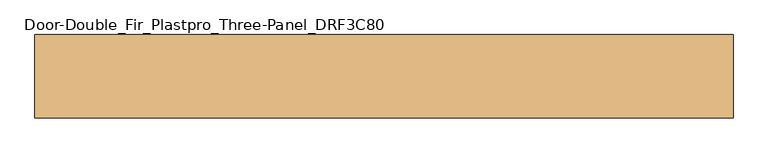
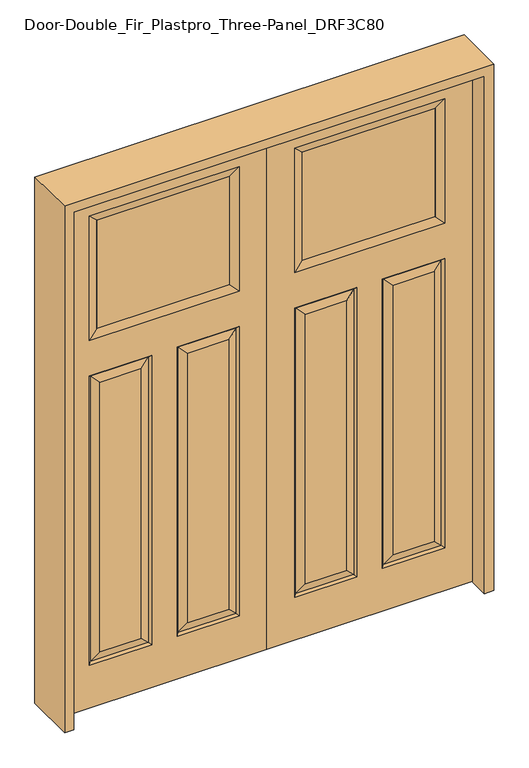
"""IFC4 building model written with IfcOpenShell, lengths in millimetres: door geometry, Door-Double_Fir_Plastpro_Three-Panel_DRF3C80."""

from ifc_helpers import new_model, si_unit, frame, origin, place, context, project, spatial, polyline, outline, extrude, faceted_brep, source, transform, mapped, element, save


def door_double_fir_plastpro_three_panel_drf3c80_f7628a7d(model_context):
    return source(origin(), model_context, "Body", "SolidModel", [
        faceted_brep([(914.4, -20.6375, 2438.4), (914.4, -20.6375, 0.0), (914.4, 20.6375, 0.0), (914.4, 20.6375, 2438.4), (0.0, 20.6375, 0.0), (0.0, 20.6375, 2438.4), (123.698, 20.6375, 203.073), (400.2762187, 20.6375, 203.073), (400.2762187, 20.6375, 1565.3027812), (123.698, 20.6375, 1565.3027812), (790.7734375, 20.6375, 1733.3515625), (790.7734375, 20.6375, 2317.9484375), (123.6265625, 20.6375, 2317.9484375), (123.6265625, 20.6375, 1733.3515625), (790.702, 20.6375, 1565.3027812), (514.1237813, 20.6375, 1565.3027812), (514.1237813, 20.6375, 203.073), (790.702, 20.6375, 203.073), (744.6645, 20.6375, 249.1105), (560.1612813, 20.6375, 249.1105), (560.1612813, 20.6375, 1519.2652812), (744.6645, 20.6375, 1519.2652812), (169.7355, 20.6375, 1519.2652812), (354.2387187, 20.6375, 1519.2652812), (354.2387187, 20.6375, 249.1105), (169.7355, 20.6375, 249.1105), (781.7217439, 11.6572439, 1556.3225251), (781.7217439, 11.6572439, 212.0532561), (523.1040374, 11.6572439, 212.0532561), (391.2959626, -11.6572439, 212.0532561), (391.2959626, -11.6572439, 1556.3225251), (354.2387187, -20.6375, 1519.2652812), (354.2387188, -20.6375, 249.1105), (560.1612812, -20.6375, 249.1105), (560.1612812, -20.6375, 1519.2652812), (523.1040374, -11.6572439, 1556.3225251), (523.1040374, -11.6572439, 212.0532561), (781.7217439, -11.6572439, 212.0532561), (514.1237813, -20.6375, 203.073), (790.702, -20.6375, 203.073), (790.7734375, -20.6375, 1733.3515625), (790.7734375, -20.6375, 2317.9484375), (753.7161936, -11.6572439, 2280.8911936), (753.7161936, -11.6572439, 1770.3601562), (160.6838064, -11.6572439, 1770.3601562), (160.6838064, -11.6572439, 2280.9398438), (123.6265625, -20.6375, 2317.9484375), (123.6265625, -20.6375, 1733.3515625), (132.6782561, -11.6572439, 1556.3225251), (400.2762187, -20.6375, 1565.3027812), (123.698, -20.6375, 1565.3027812), (160.6838064, 11.6690335, 2280.9398438), (753.7161936, 11.6690335, 2280.9398438), (0.0, -20.6375, 0.0), (0.0, -20.6375, 2438.4), (514.1237813, -20.6375, 1565.3027812), (790.702, -20.6375, 1565.3027812), (400.2762187, -20.6375, 203.073), (123.698, -20.6375, 203.073), (169.7355, -20.6375, 249.1105), (169.7355, -20.6375, 1519.2652813), (744.6645, -20.6375, 1519.2652813), (744.6645, -20.6375, 249.1105), (132.6782561, 11.6572439, 212.0532561), (391.2959626, 11.6572439, 212.0532561), (132.6782561, -11.6572439, 212.0532561), (781.7217439, -11.6572439, 1556.3225251), (160.6838064, 11.6572439, 1770.3601562), (132.6782561, 11.6572439, 1556.3225251), (391.2959626, 11.6572439, 1556.3225251), (523.1040374, 11.6572439, 1556.3225251), (753.7161936, 11.6572439, 1770.3601562)], [[[0, 1, 2, 3]], [[3, 2, 4, 5], [6, 7, 8, 9], [10, 11, 12, 13], [14, 15, 16, 17]], [[18, 19, 20, 21]], [[22, 23, 24, 25]], [[26, 14, 17, 27]], [[27, 18, 21, 26]], [[27, 28, 19, 18]], [[29, 30, 31, 32]], [[33, 34, 35, 36]], [[37, 36, 38, 39]], [[40, 41, 42, 43]], [[44, 45, 46, 47]], [[48, 30, 49, 50]], [[51, 52, 42, 45]], [[47, 40, 43, 44]], [[4, 2, 1, 53]], [[5, 4, 53, 54]], [[54, 53, 1, 0], [39, 38, 55, 56], [47, 46, 41, 40], [50, 49, 57, 58]], [[59, 32, 31, 60]], [[61, 34, 33, 62]], [[5, 54, 0, 3]], [[63, 64, 7, 6]], [[65, 29, 32, 59]], [[57, 49, 30, 29]], [[37, 39, 56, 66]], [[13, 12, 51, 67]], [[6, 9, 68, 63]], [[64, 69, 8, 7]], [[68, 22, 25, 63]], [[25, 24, 64, 63]], [[24, 23, 69, 64]], [[17, 16, 28, 27]], [[16, 15, 70, 28]], [[28, 70, 20, 19]], [[59, 60, 48, 65]], [[48, 50, 58, 65]], [[58, 57, 29, 65]], [[66, 61, 62, 37]], [[62, 33, 36, 37]], [[36, 35, 55, 38]], [[12, 11, 52, 51]], [[71, 52, 11, 10]], [[45, 42, 41, 46]], [[60, 31, 30, 48]], [[9, 8, 69, 68]], [[68, 69, 23, 22]], [[52, 71, 43, 42]], [[71, 67, 44, 43]], [[45, 44, 67, 51]], [[67, 71, 10, 13]], [[66, 35, 34, 61]], [[56, 55, 35, 66]], [[26, 70, 15, 14]], [[21, 20, 70, 26]]]),
        extrude(outline(polyline([(160.6838064, -11.6572439), (160.6838064, 11.6572439), (753.7161936, 11.6572439), (753.7161936, -11.6572439), (160.6838064, -11.6572439)])), frame((0.0, 0.0, 1770.3601562), z_axis=(0.0, 0.0, 1.0), x_axis=(1.0, 0.0, 0.0)), (0.0, 0.0, 1.0), 510.5796875),
        faceted_brep([(-914.4, -20.6375, 2438.4), (-914.4, 20.6375, 2438.4), (-914.4, 20.6375, 0.0), (-914.4, -20.6375, 0.0), (-169.7355, 20.6375, 1519.2652812), (-169.7355, 20.6375, 249.1105), (-354.2387187, 20.6375, 249.1105), (-354.2387187, 20.6375, 1519.2652812), (-744.6645, 20.6375, 249.1105), (-744.6645, 20.6375, 1519.2652812), (-560.1612813, 20.6375, 1519.2652812), (-560.1612813, 20.6375, 249.1105), (0.0, 20.6375, 2438.4), (0.0, 20.6375, 0.0), (-123.698, 20.6375, 203.073), (-123.698, 20.6375, 1565.3027812), (-400.2762187, 20.6375, 1565.3027812), (-400.2762187, 20.6375, 203.073), (-790.7734375, 20.6375, 1733.3515625), (-123.6265625, 20.6375, 1733.3515625), (-123.6265625, 20.6375, 2317.9484375), (-790.7734375, 20.6375, 2317.9484375), (-790.702, 20.6375, 1565.3027812), (-790.702, 20.6375, 203.073), (-514.1237813, 20.6375, 203.073), (-514.1237813, 20.6375, 1565.3027812), (-781.7217439, 11.6572439, 1556.3225251), (-781.7217439, 11.6572439, 212.0532561), (-523.1040374, 11.6572439, 212.0532561), (-391.2959626, -11.6572439, 212.0532561), (-354.2387187, -20.6375, 249.1105), (-354.2387188, -20.6375, 1519.2652812), (-391.2959626, -11.6572439, 1556.3225251), (-560.1612813, -20.6375, 249.1105), (-523.1040374, -11.6572439, 212.0532561), (-523.1040374, -11.6572439, 1556.3225251), (-560.1612813, -20.6375, 1519.2652812), (-781.7217439, -11.6572439, 212.0532561), (-790.702, -20.6375, 203.073), (-514.1237813, -20.6375, 203.073), (-790.7734375, -20.6375, 1733.3515625), (-753.7161936, -11.6572439, 1770.4088064), (-753.7161936, -11.6572439, 2280.9398438), (-790.7734375, -20.6375, 2317.9484375), (-160.6838064, -11.6572439, 1770.4088064), (-123.6265625, -20.6375, 1733.3515625), (-123.6265625, -20.6375, 2317.9484375), (-160.6838064, -11.6572439, 2280.8911936), (-132.6782561, -11.6572439, 1556.3225251), (-123.698, -20.6375, 1565.3027812), (-400.2762187, -20.6375, 1565.3027812), (-160.6838064, 11.6572439, 2280.9398438), (-753.7161936, 11.6690335, 2280.9398438), (0.0, -20.6375, 0.0), (0.0, -20.6375, 2438.4), (-169.7355, -20.6375, 249.1105), (-169.7355, -20.6375, 1519.2652812), (-744.6645, -20.6375, 1519.2652812), (-744.6645, -20.6375, 249.1105), (-790.702, -20.6375, 1565.3027812), (-514.1237813, -20.6375, 1565.3027812), (-123.698, -20.6375, 203.073), (-400.2762187, -20.6375, 203.073), (-132.6782561, 11.6572439, 212.0532561), (-391.2959626, 11.6572439, 212.0532561), (-132.6782561, -11.6572439, 212.0532561), (-781.7217439, -11.6572439, 1556.3225251), (-160.6838064, 11.6572439, 1770.4088064), (-132.6782561, 11.6572439, 1556.3225251), (-391.2959626, 11.6572439, 1556.3225251), (-523.1040374, 11.6572439, 1556.3225251), (-753.7161936, 11.6572439, 1770.4088064)], [[[0, 1, 2, 3]], [[4, 5, 6, 7]], [[8, 9, 10, 11]], [[1, 12, 13, 2], [14, 15, 16, 17], [18, 19, 20, 21], [22, 23, 24, 25]], [[26, 27, 23, 22]], [[27, 26, 9, 8]], [[27, 8, 11, 28]], [[29, 30, 31, 32]], [[33, 34, 35, 36]], [[37, 38, 39, 34]], [[40, 41, 42, 43]], [[44, 45, 46, 47]], [[48, 49, 50, 32]], [[51, 47, 42, 52]], [[45, 44, 41, 40]], [[13, 53, 3, 2]], [[12, 54, 53, 13]], [[55, 56, 31, 30]], [[57, 58, 33, 36]], [[54, 0, 3, 53], [38, 59, 60, 39], [45, 40, 43, 46], [49, 61, 62, 50]], [[12, 1, 0, 54]], [[63, 14, 17, 64]], [[65, 55, 30, 29]], [[62, 29, 32, 50]], [[37, 66, 59, 38]], [[19, 67, 51, 20]], [[14, 63, 68, 15]], [[64, 17, 16, 69]], [[68, 63, 5, 4]], [[5, 63, 64, 6]], [[6, 64, 69, 7]], [[23, 27, 28, 24]], [[24, 28, 70, 25]], [[28, 11, 10, 70]], [[55, 65, 48, 56]], [[48, 65, 61, 49]], [[61, 65, 29, 62]], [[66, 37, 58, 57]], [[58, 37, 34, 33]], [[34, 39, 60, 35]], [[20, 51, 52, 21]], [[71, 18, 21, 52]], [[47, 46, 43, 42]], [[56, 48, 32, 31]], [[15, 68, 69, 16]], [[68, 4, 7, 69]], [[52, 42, 41, 71]], [[71, 41, 44, 67]], [[47, 51, 67, 44]], [[67, 19, 18, 71]], [[66, 57, 36, 35]], [[59, 66, 35, 60]], [[26, 22, 25, 70]], [[9, 26, 70, 10]]]),
        extrude(outline(polyline([(-160.6838064, -11.6572439), (-753.7161936, -11.6572439), (-753.7161936, 11.6572439), (-160.6838064, 11.6572439), (-160.6838064, -11.6572439)])), frame((0.0, 0.0, 1770.3601562), z_axis=(0.0, 0.0, 1.0), x_axis=(1.0, 0.0, 0.0)), (0.0, 0.0, 1.0), 510.5796875),
        extrude(outline(polyline([(2479.675, -955.675), (0.0, -955.675), (0.0, -914.4), (2438.4, -914.4), (2438.4, 914.4), (0.0, 914.4), (0.0, 955.675), (2479.675, 955.675), (2479.675, -955.675)])), frame((0.0, -114.3, 0.0), z_axis=(0.0, 1.0, 0.0), x_axis=(0.0, 0.0, 1.0)), (0.0, 0.0, 1.0), 228.6),
    ])


if __name__ == "__main__":
    model = new_model("IFC4")
    model_context = context("Model", 3, world=origin())
    ifc_project = project(units=[si_unit("LENGTHUNIT", "METRE", prefix="MILLI")], contexts=[model_context])
    site = spatial("IfcSite", under=ifc_project)
    building = spatial("IfcBuilding", under=site)
    placement = place(None, origin())
    door_double_fir_plastpro_three_panel_drf3c80_shape = door_double_fir_plastpro_three_panel_drf3c80_f7628a7d(model_context)
    element("IfcDoor", 1, ObjectType="Door-Double_Fir_Plastpro_Three-Panel_DRF3C80", at=placement, inside=building, context=model_context, shape_type="MappedRepresentation", body=[
        mapped(door_double_fir_plastpro_three_panel_drf3c80_shape, transform((0.0, 0.0, 0.0), x_axis=(1.0, 0.0, 0.0), y_axis=(0.0, 1.0, 0.0), z_axis=(0.0, 0.0, 1.0))),
    ])
    save(model, "model.ifc")
